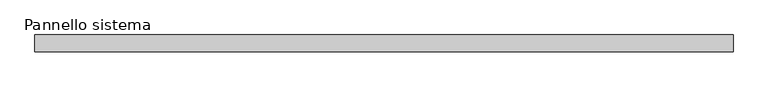
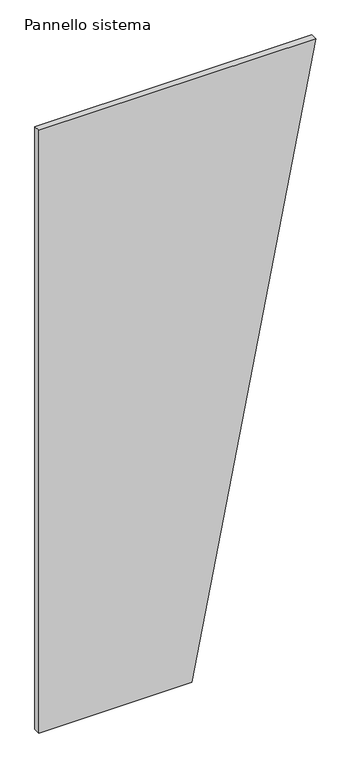
"""IFC4 building model written with IfcOpenShell, lengths in millimetres: plate geometry, Pannello sistema."""

from ifc_helpers import new_model, si_unit, frame, origin, place, context, project, spatial, polyline, outline, extrude, source, transform, mapped, element, save


def pannello_sistema_58c1f73d(model_context):
    return source(origin(), model_context, "Body", "SweptSolid", [
        extrude(outline(polyline([(0.0, -519.2046575), (0.0, 54.6357187), (2390.0, 519.2046575), (2390.0, -519.2046575), (0.0, -519.2046575)])), frame((0.0, -12.5, 0.0), z_axis=(0.0, 1.0, 0.0), x_axis=(0.0, 0.0, 1.0)), (0.0, 0.0, 1.0), 25.0),
    ])


if __name__ == "__main__":
    model = new_model("IFC4")
    model_context = context("Model", 3, world=origin())
    ifc_project = project(units=[si_unit("LENGTHUNIT", "METRE", prefix="MILLI")], contexts=[model_context])
    site = spatial("IfcSite", under=ifc_project)
    building = spatial("IfcBuilding", under=site)
    placement = place(None, origin())
    pannello_sistema_shape = pannello_sistema_58c1f73d(model_context)
    element("IfcPlate", 1, ObjectType="Pannello sistema", at=placement, inside=building, context=model_context, shape_type="MappedRepresentation", body=[
        mapped(pannello_sistema_shape, transform((0.0, 0.0, 0.0), x_axis=(1.0, 0.0, 0.0), y_axis=(0.0, 1.0, 0.0), z_axis=(0.0, 0.0, 1.0))),
    ])
    save(model, "model.ifc")
